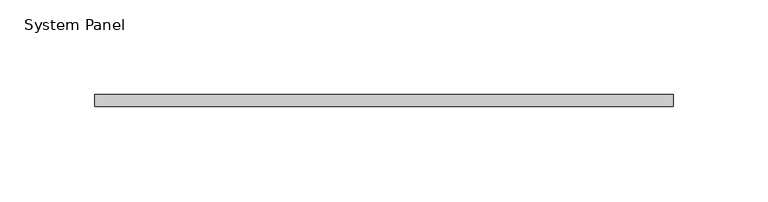
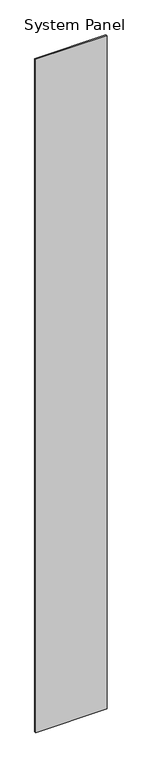
"""IFC4 building model written with IfcOpenShell, lengths in millimetres: plate geometry, System Panel."""

from ifc_helpers import new_model, si_unit, origin, origin_with_axes, place, context, project, spatial, polyline, outline, extrude, source, transform, mapped, element, save


def system_panel_0b92d33d(model_context):
    return source(origin(), model_context, "Body", "SweptSolid", [
        extrude(outline(polyline([(153.0369493, 0.0), (-153.0369493, 0.0), (-153.0369493, 6.35), (153.0369493, 6.35), (153.0369493, 0.0)])), origin_with_axes(), (0.0, 0.0, 1.0), 3048.0),
    ])


if __name__ == "__main__":
    model = new_model("IFC4")
    model_context = context("Model", 3, world=origin())
    ifc_project = project(units=[si_unit("LENGTHUNIT", "METRE", prefix="MILLI")], contexts=[model_context])
    site = spatial("IfcSite", under=ifc_project)
    building = spatial("IfcBuilding", under=site)
    placement = place(None, origin())
    system_panel_shape = system_panel_0b92d33d(model_context)
    element("IfcPlate", 1, ObjectType="System Panel", at=placement, inside=building, context=model_context, shape_type="MappedRepresentation", body=[
        mapped(system_panel_shape, transform((0.0, 0.0, 0.0), x_axis=(1.0, 0.0, 0.0), y_axis=(0.0, 1.0, 0.0), z_axis=(0.0, 0.0, 1.0))),
    ])
    save(model, "model.ifc")
